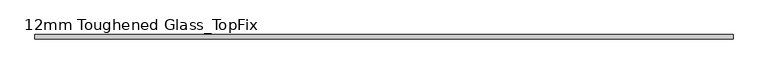
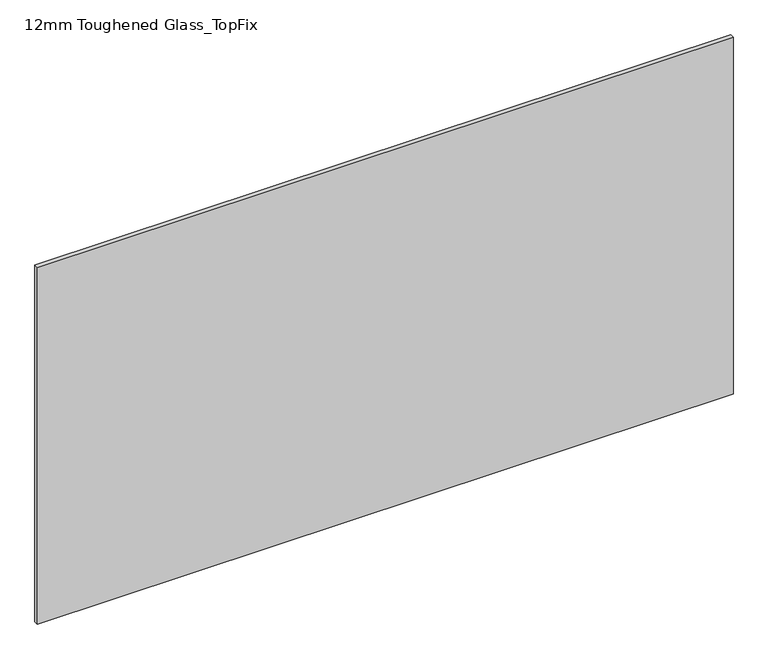
"""IFC4 building model written with IfcOpenShell, lengths in millimetres: plate geometry, 12mm Toughened Glass_TopFix."""

from ifc_helpers import new_model, si_unit, origin, origin_with_axes, place, context, project, spatial, polyline, outline, extrude, source, transform, mapped, element, save


def plate_12mm_toughened_glass_topfix_c850184b(model_context):
    return source(origin(), model_context, "Body", "SweptSolid", [
        extrude(outline(polyline([(995.0000001, 6.0), (995.0000001, -6.0), (-995.0000001, -6.0), (-995.0000001, 6.0), (995.0000001, 6.0)])), origin_with_axes(), (0.0, 0.0, 1.0), 1079.0),
    ])


if __name__ == "__main__":
    model = new_model("IFC4")
    model_context = context("Model", 3, world=origin())
    ifc_project = project(units=[si_unit("LENGTHUNIT", "METRE", prefix="MILLI")], contexts=[model_context])
    site = spatial("IfcSite", under=ifc_project)
    building = spatial("IfcBuilding", under=site)
    placement = place(None, origin())
    plate_12mm_toughened_glass_topfix_shape = plate_12mm_toughened_glass_topfix_c850184b(model_context)
    element("IfcPlate", 1, ObjectType="12mm Toughened Glass_TopFix", at=placement, inside=building, context=model_context, shape_type="MappedRepresentation", body=[
        mapped(plate_12mm_toughened_glass_topfix_shape, transform((0.0, 0.0, 0.0), x_axis=(1.0, 0.0, 0.0), y_axis=(0.0, 1.0, 0.0), z_axis=(0.0, 0.0, 1.0))),
    ])
    save(model, "model.ifc")
